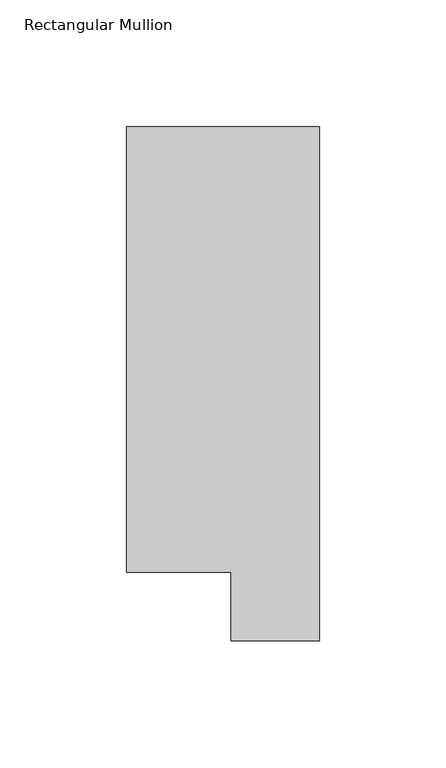
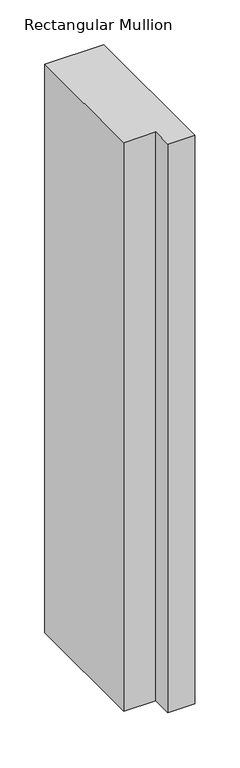
"""IFC4 building model written with IfcOpenShell, lengths in millimetres: member geometry, Rectangular Mullion."""

from ifc_helpers import new_model, si_unit, frame, origin, place, context, project, spatial, polyline, outline, extrude, source, transform, mapped, element, save


def rectangular_mullion_d36171fd(model_context):
    return source(origin(), model_context, "Body", "SweptSolid", [
        extrude(outline(polyline([(0.0, 222.5381312), (0.0, 19.5667312), (-34.9123, 19.5667312), (-34.9123, 46.7447302), (-76.2, 46.7447302), (-76.2, 222.5381312), (0.0, 222.5381312)])), frame((0.0, 0.0, -774.7000004), z_axis=(0.0, 0.0, 1.0), x_axis=(1.0, 0.0, 0.0)), (0.0, 0.0, 1.0), 774.7000004),
    ])


if __name__ == "__main__":
    model = new_model("IFC4")
    model_context = context("Model", 3, world=origin())
    ifc_project = project(units=[si_unit("LENGTHUNIT", "METRE", prefix="MILLI")], contexts=[model_context])
    site = spatial("IfcSite", under=ifc_project)
    building = spatial("IfcBuilding", under=site)
    placement = place(None, origin())
    rectangular_mullion_shape = rectangular_mullion_d36171fd(model_context)
    element("IfcMember", 1, ObjectType="Rectangular Mullion", at=placement, inside=building, context=model_context, shape_type="MappedRepresentation", body=[
        mapped(rectangular_mullion_shape, transform((0.0, 0.0, 0.0), x_axis=(1.0, 0.0, 0.0), y_axis=(0.0, 1.0, 0.0), z_axis=(0.0, 0.0, 1.0))),
    ])
    save(model, "model.ifc")
